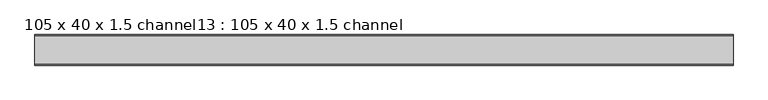
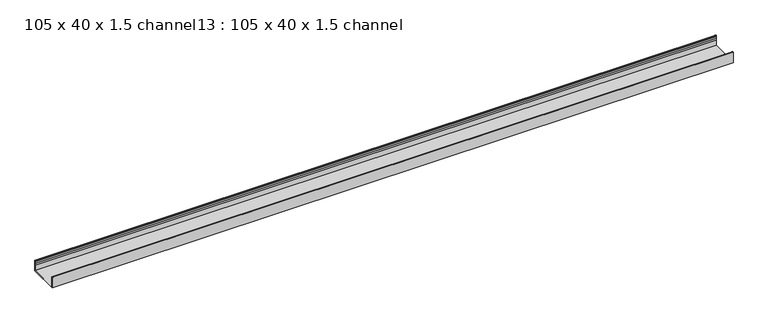
"""IFC4 building model written with IfcOpenShell, lengths in millimetres: proxy geometry, 105 x 40 x 1.5 channel13 : 105 x 40 x 1.5 channel."""

import ifcopenshell
import ifcopenshell.guid

model = None  # the IFC model being written
_history = None  # IfcOwnerHistory: only IFC2X3 demands one
_inside = {}  # id of a spatial element -> (the spatial element, [elements in it])
_under = {}  # id of a project, library or spatial element -> (it, [spatial elements below it])
_declared = {}  # id of a project -> (the project, [libraries it declares])
_typed = {}  # id of a type object -> (the type object, [elements of that type])
_made_of = {}  # id of a material, layer set ... -> (it, [elements and type objects made of it])


def new_model(schema):
    """Start an empty IFC model of exactly this schema.

    Asked for "IFC4X3", IfcOpenShell would pick the latest addendum, in which some entities
    have other attributes; the version numbers below select the first issue.
    IFC2X3 requires an IfcOwnerHistory on every rooted entity: one is made here for all.
    """
    global model, _history
    if schema == "IFC4X3":
        model = ifcopenshell.file(schema_version=(4, 3, 0, 0))
    else:
        model = ifcopenshell.file(schema=schema)
    _inside.clear()
    _under.clear()
    _declared.clear()
    _typed.clear()
    _made_of.clear()
    _history = None
    if model.schema == "IFC2X3":
        org = make("IfcOrganization", Name="unknown")
        user = make(
            "IfcPersonAndOrganization",
            ThePerson=make("IfcPerson", FamilyName="unknown"),
            TheOrganization=org,
        )
        app = make(
            "IfcApplication",
            ApplicationDeveloper=org,
            Version="unknown",
            ApplicationFullName="unknown",
            ApplicationIdentifier="unknown",
        )
        _history = make(
            "IfcOwnerHistory",
            OwningUser=user,
            OwningApplication=app,
            ChangeAction="ADDED",
            CreationDate=0,
        )
    return model


def make(cls, **values):
    """One entity of the class cls with the attributes given. An attribute that is None is left unset."""
    return model.create_entity(
        cls, **{name: value for name, value in values.items() if value is not None}
    )


def rooted(cls, **values):
    """An entity with a GlobalId (a new one), such as an element, a storey or a relation."""
    return make(cls, GlobalId=ifcopenshell.guid.new(), OwnerHistory=_history, **values)


def si_unit(unit_type, name, prefix=None):
    """IfcSIUnit, for example si_unit("LENGTHUNIT", "METRE", prefix="MILLI")."""
    return make("IfcSIUnit", UnitType=unit_type, Prefix=prefix, Name=name)


def assignment(units):
    """IfcUnitAssignment: the units of a project."""
    return None if units is None else make("IfcUnitAssignment", Units=units)


def point(xyz):
    """IfcCartesianPoint."""
    return None if xyz is None else make("IfcCartesianPoint", Coordinates=xyz)


def direction(xyz):
    """IfcDirection."""
    return None if xyz is None else make("IfcDirection", DirectionRatios=xyz)


def frame(location, z_axis=None, x_axis=None):
    """IfcAxis2Placement3D, a coordinate frame: its origin and axes. An axis left out is left unset."""
    return make(
        "IfcAxis2Placement3D",
        Location=point(location),
        Axis=direction(z_axis),
        RefDirection=direction(x_axis),
    )


def frame_2d(location, x_axis=None):
    """IfcAxis2Placement2D, a coordinate frame in the plane: its origin and x axis."""
    return make(
        "IfcAxis2Placement2D", Location=point(location), RefDirection=direction(x_axis)
    )


def origin():
    """The frame at (0, 0, 0) with its axes left unset."""
    return frame((0.0, 0.0, 0.0))


def place(relative_to, where):
    """IfcLocalPlacement: puts the frame where relative to a parent placement (None: the world)."""
    return make(
        "IfcLocalPlacement", PlacementRelTo=relative_to, RelativePlacement=where
    )


def context(
    kind, dimensions, precision=None, world=None, true_north=None, identifier=None
):
    """IfcGeometricRepresentationContext, for example the 3D "Model" context."""
    return make(
        "IfcGeometricRepresentationContext",
        ContextIdentifier=identifier,
        ContextType=kind,
        CoordinateSpaceDimension=dimensions,
        Precision=precision,
        WorldCoordinateSystem=world,
        TrueNorth=true_north,
    )


def project(units=None, contexts=None):
    """IfcProject with its units and contexts."""
    return rooted(
        "IfcProject",
        Name="project",
        RepresentationContexts=contexts,
        UnitsInContext=assignment(units),
    )


def spatial(cls, under=None, at=None, **own):
    """A site, building, storey or space (cls), placed at a placement, below another one or the project."""
    s = rooted(cls, ObjectPlacement=at, **own)
    if under is not None:
        _under.setdefault(under.id(), (under, []))[1].append(s)
    return s


def polyline(points):
    """IfcPolyline through the points."""
    return make("IfcPolyline", Points=[point(p) for p in points])


def circle_curve(where, radius):
    """IfcCircle in the frame where."""
    return make("IfcCircle", Position=where, Radius=radius)


def trimmed(basis, trim1, trim2, sense, master):
    """IfcTrimmedCurve: the piece of a basis curve between two trims."""
    return make(
        "IfcTrimmedCurve",
        BasisCurve=basis,
        Trim1=trim1,
        Trim2=trim2,
        SenseAgreement=sense,
        MasterRepresentation=master,
    )


def segment(curve, same_sense, transition):
    """IfcCompositeCurveSegment."""
    return make(
        "IfcCompositeCurveSegment",
        Transition=transition,
        SameSense=same_sense,
        ParentCurve=curve,
    )


def composite_curve(segments, self_intersect=None):
    """IfcCompositeCurve: segments joined end to end."""
    return make("IfcCompositeCurve", Segments=segments, SelfIntersect=self_intersect)


def outline(outer, holes=None, kind="AREA"):
    """IfcArbitraryClosedProfileDef: a profile drawn as a closed curve; with holes, ...WithVoids."""
    if holes is None:
        return make("IfcArbitraryClosedProfileDef", ProfileType=kind, OuterCurve=outer)
    return make(
        "IfcArbitraryProfileDefWithVoids",
        ProfileType=kind,
        OuterCurve=outer,
        InnerCurves=holes,
    )


def extrude(swept, where, along, depth):
    """IfcExtrudedAreaSolid: the profile swept, set in the frame where, extruded along a direction by depth."""
    return make(
        "IfcExtrudedAreaSolid",
        SweptArea=swept,
        Position=where,
        ExtrudedDirection=direction(along),
        Depth=depth,
    )


def shape(context_of_items, identifier, shape_type, items):
    """IfcShapeRepresentation: the items that make up one representation, for example the "Body"."""
    return make(
        "IfcShapeRepresentation",
        ContextOfItems=context_of_items,
        RepresentationIdentifier=identifier,
        RepresentationType=shape_type,
        Items=items,
    )


def source(mapping_origin, context_of_items, identifier, shape_type, items):
    """IfcRepresentationMap: a shape defined once, which mapped items show again and again."""
    return make(
        "IfcRepresentationMap",
        MappingOrigin=mapping_origin,
        MappedRepresentation=shape(context_of_items, identifier, shape_type, items),
    )


def transform(
    local_origin,
    x_axis=None,
    y_axis=None,
    z_axis=None,
    scale=None,
    scale2=None,
    scale3=None,
    uniform=True,
):
    """IfcCartesianTransformationOperator3D, or its non-uniform kind. x_axis, y_axis, z_axis: its Axis1, 2, 3."""
    if uniform:
        return make(
            "IfcCartesianTransformationOperator3D",
            Axis1=direction(x_axis),
            Axis2=direction(y_axis),
            LocalOrigin=point(local_origin),
            Scale=scale,
            Axis3=direction(z_axis),
        )
    return make(
        "IfcCartesianTransformationOperator3DnonUniform",
        Axis1=direction(x_axis),
        Axis2=direction(y_axis),
        LocalOrigin=point(local_origin),
        Scale=scale,
        Axis3=direction(z_axis),
        Scale2=scale2,
        Scale3=scale3,
    )


def mapped(mapping_source, mapping_target):
    """IfcMappedItem: shows the shape of a source again, moved by a transform."""
    return make(
        "IfcMappedItem", MappingSource=mapping_source, MappingTarget=mapping_target
    )


def made_of(thing, what):
    """Note that an element or type object is made of a material, layer set ...; save() writes the relation."""
    if what is not None:
        _made_of.setdefault(what.id(), (what, []))[1].append(thing)
    return thing


def element(
    cls,
    number,
    at=None,
    inside=None,
    cuts=None,
    type_object=None,
    material=None,
    context=None,
    identifier="Body",
    shape_type=None,
    held_by="IfcProductDefinitionShape",
    body=None,
    shapes=None,
    **own,
):
    """One element of the class cls, such as IfcWall. Its Tag is "e" and its number.

    at: its placement. inside: the storey or other place that contains it. cuts: it is an
    opening in that element (IfcRelVoidsElement). A single representation is given by context,
    identifier, shape_type and body (its items); several are given by shapes. held_by: the class
    of the entity that holds the representations. save() writes the other relations.
    """
    e = rooted(cls, Tag="e%d" % number, ObjectPlacement=at, **own)
    if body is not None:
        shapes = [shape(context, identifier, shape_type, body)]
    if shapes is not None:
        e.Representation = make(held_by, Representations=shapes)
    if inside is not None:
        _inside.setdefault(inside.id(), (inside, []))[1].append(e)
    if cuts is not None:
        rooted(
            "IfcRelVoidsElement", RelatingBuildingElement=cuts, RelatedOpeningElement=e
        )
    if type_object is not None:
        _typed.setdefault(type_object.id(), (type_object, []))[1].append(e)
    return made_of(e, material)


def aggregate(whole, parts):
    """IfcRelAggregates: a whole, such as a stair, and the parts it consists of."""
    return rooted("IfcRelAggregates", RelatingObject=whole, RelatedObjects=parts)


def save(model, path):
    """Write the relations noted so far, then the file.

    IfcRelAggregates (storeys below a building ...), IfcRelContainedInSpatialStructure (elements
    in a storey), IfcRelDefinesByType, IfcRelAssociatesMaterial and IfcRelDeclares: one each for
    every whole, place, type object, material and project.
    """
    for whole, parts in _under.values():
        aggregate(whole, parts)
    for where, things in _inside.values():
        rooted(
            "IfcRelContainedInSpatialStructure",
            RelatedElements=things,
            RelatingStructure=where,
        )
    for kind, things in _typed.values():
        rooted("IfcRelDefinesByType", RelatedObjects=things, RelatingType=kind)
    for what, things in _made_of.values():
        rooted("IfcRelAssociatesMaterial", RelatedObjects=things, RelatingMaterial=what)
    for by, libraries in _declared.values():
        rooted("IfcRelDeclares", RelatingContext=by, RelatedDefinitions=libraries)
    model.write(path)


def proxy_105_x_40_x_1_5_channel13_105_x_40_x_1_5_channel_1cefa6bf(model_context):
    return source(origin(), model_context, "Body", "SweptSolid", [
        extrude(outline(composite_curve([segment(trimmed(circle_curve(frame_2d((-103.6498586, 180.6)), 10.0), [point((-94.0745506, 177.7166898))], [point((-94.0745506, 183.4833102))], True, "CARTESIAN"), True, "CONTINUOUS"), segment(polyline([(-94.0745506, 183.4833102), (-94.6498586, 187.4)]), True, "CONTINUOUS"), segment(trimmed(circle_curve(frame_2d((-93.4498586, 187.4)), 1.2), [point((-94.6498586, 187.4))], [point((-92.2498586, 187.4))], False, "CARTESIAN"), True, "CONTINUOUS"), segment(polyline([(-92.2498586, 187.4), (-92.2498586, 148.6), (-197.5498586, 148.6), (-197.5498586, 187.4)]), True, "CONTINUOUS"), segment(trimmed(circle_curve(frame_2d((-196.3498586, 187.4)), 1.2), [point((-197.5498586, 187.4))], [point((-195.1498586, 187.4))], False, "CARTESIAN"), True, "CONTINUOUS"), segment(polyline([(-195.1498586, 187.4), (-195.7251665, 183.4833102)]), True, "CONTINUOUS"), segment(trimmed(circle_curve(frame_2d((-186.1498586, 180.6)), 10.0), [point((-195.7251665, 183.4833102))], [point((-195.7251665, 177.7166898))], True, "CARTESIAN"), True, "CONTINUOUS"), segment(trimmed(circle_curve(frame_2d((-205.1498586, 174.37376)), 10.0), [point((-195.7251665, 177.7166898))], [point((-196.1498586, 170.0148611))], False, "CARTESIAN"), True, "CONTINUOUS"), segment(polyline([(-196.1498586, 170.0148611), (-196.1498586, 150.0), (-93.6498586, 150.0), (-93.6498586, 170.0148611)]), True, "CONTINUOUS"), segment(trimmed(circle_curve(frame_2d((-84.6498586, 174.37376)), 10.0), [point((-93.6498586, 170.0148611))], [point((-94.0745506, 177.7166898))], False, "CARTESIAN"), True, "CONTINUOUS")], self_intersect=False)), frame((-10615.3690716, 0.0, 0.0), z_axis=(1.0, 0.0, 0.0), x_axis=(0.0, 1.0, 0.0)), (0.0, 0.0, 1.0), 2400.0),
    ])


if __name__ == "__main__":
    model = new_model("IFC4")
    model_context = context("Model", 3, world=origin())
    ifc_project = project(units=[si_unit("LENGTHUNIT", "METRE", prefix="MILLI")], contexts=[model_context])
    site = spatial("IfcSite", under=ifc_project)
    building = spatial("IfcBuilding", under=site)
    placement = place(None, origin())
    proxy_105_x_40_x_1_5_channel13_105_x_40_x_1_5_channel_shape = proxy_105_x_40_x_1_5_channel13_105_x_40_x_1_5_channel_1cefa6bf(model_context)
    element("IfcBuildingElementProxy", 1, Name="105 x 40 x 1.5 channel13 : 105 x 40 x 1.5 channel", ObjectType="105 x 40 x 1.5 channel13 : 105 x 40 x 1.5 channel", at=placement, inside=building, context=model_context, shape_type="MappedRepresentation", body=[
        mapped(proxy_105_x_40_x_1_5_channel13_105_x_40_x_1_5_channel_shape, transform((0.0, 0.0, 0.0), x_axis=(1.0, 0.0, 0.0), y_axis=(0.0, 1.0, 0.0), z_axis=(0.0, 0.0, 1.0))),
    ])
    save(model, "model.ifc")
